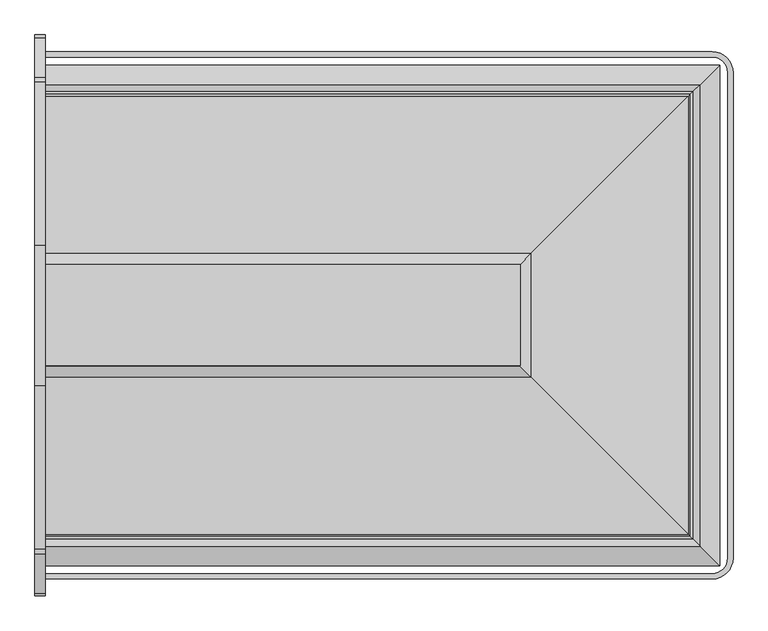
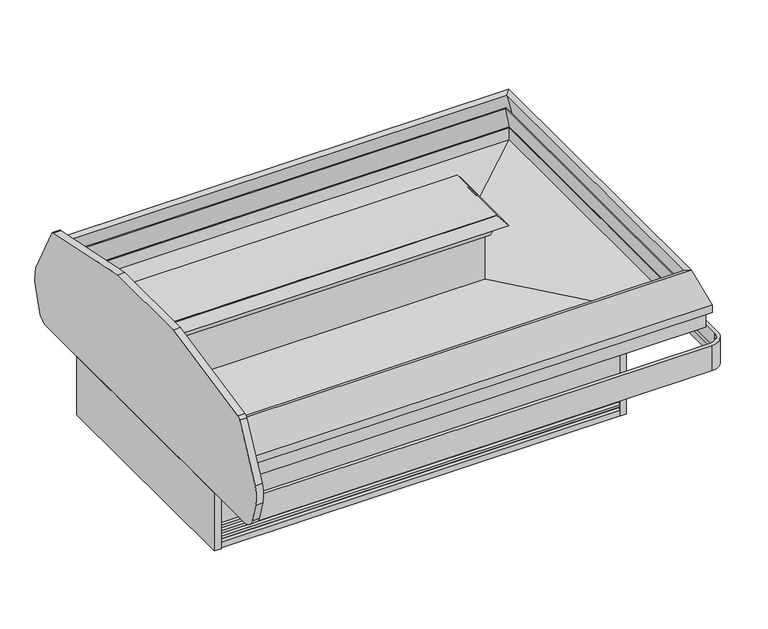
"""IFC4 building model written with IfcOpenShell, lengths in millimetres: proxy geometry."""

from ifc_helpers import new_model, si_unit, point, frame, frame_2d, origin, origin_with_axes, place, context, project, spatial, polyline, circle_curve, ellipse_curve, trimmed, segment, composite_curve, outline, extrude, faceted_brep, source, transform, mapped, element, save
from ifc_brep_helpers import plane_surface, cylinder_surface, revolved_surface, advanced_brep


def mechanical_equipment_2e16ebad(model_context):
    return source(origin(), model_context, "Body", "SolidModel", [
        extrude(outline(polyline([(1724.3610789, -1521.8335484), (2029.1610789, -1521.8335484), (2029.1610789, -1623.4335484), (1724.3610789, -1623.4335484), (1724.3610789, -1521.8335484)])), frame((0.0, 0.0, 139.7), z_axis=(0.0, 0.0, 1.0), x_axis=(1.0, 0.0, 0.0)), (0.0, 0.0, 1.0), 53.975),
        extrude(outline(polyline([(2138.1719993, -1987.1166266), (2138.1719993, -1952.9985136), (2169.9219993, -1952.9985136), (2169.9219993, -1987.1166266), (2138.1719993, -1987.1166266)])), origin_with_axes(), (0.0, 0.0, 1.0), 374.65),
        extrude(outline(polyline([(2138.1719993, -739.722628), (2169.9219993, -739.722628), (2169.9219993, -773.840741), (2138.1719993, -773.840741), (2138.1719993, -739.722628)])), origin_with_axes(), (0.0, 0.0, 1.0), 374.65),
        extrude(outline(polyline([(0.0, -728.4196273), (0.0, -1998.4196273), (-38.1, -1998.4196273), (-38.1, -728.4196273), (0.0, -728.4196273)])), frame((0.0, 0.0, 5.8104303), z_axis=(0.0, 0.0, 1.0), x_axis=(1.0, 0.0, 0.0)), (0.0, 0.0, 1.0), 330.2),
        extrude(outline(composite_curve([segment(trimmed(circle_curve(frame_2d((-2276.0813528, 412.2141747)), 76.2037445), [point((-2276.0813528, 336.0104303))], [point((-2349.0936528, 390.3918303))], False, "CARTESIAN"), True, "CONTINUOUS"), segment(polyline([(-2349.0936528, 390.3918303), (-2380.4118528, 495.1749721)]), True, "CONTINUOUS"), segment(trimmed(circle_curve(frame_2d((-2210.103478, 546.077738)), 177.752733), [point((-2380.4118528, 495.1749721))], [point((-2377.8321273, 604.9261391))], False, "CARTESIAN"), True, "CONTINUOUS"), segment(polyline([(-2377.8321273, 604.9261391), (-2233.2627626, 888.659493)]), True, "CONTINUOUS"), segment(trimmed(circle_curve(frame_2d((-2210.6311969, 877.1281343)), 25.4), [point((-2233.2627626, 888.659493))], [point((-2216.4820638, 901.845079))], False, "CARTESIAN"), True, "CONTINUOUS"), segment(polyline([(-2216.4820638, 901.845079), (-1619.9032333, 1025.3672201), (-1106.9360213, 1025.3672201), (-510.3571908, 901.845079)]), True, "CONTINUOUS"), segment(trimmed(circle_curve(frame_2d((-516.2080577, 877.1281343)), 25.4), [point((-510.3571908, 901.845079))], [point((-493.576492, 888.659493))], False, "CARTESIAN"), True, "CONTINUOUS"), segment(polyline([(-493.576492, 888.659493), (-349.0071273, 604.9261391)]), True, "CONTINUOUS"), segment(trimmed(circle_curve(frame_2d((-516.7357765, 546.077738)), 177.752733), [point((-349.0071273, 604.9261391))], [point((-346.4274018, 495.1749721))], False, "CARTESIAN"), True, "CONTINUOUS"), segment(polyline([(-346.4274018, 495.1749721), (-377.7456018, 390.3918303)]), True, "CONTINUOUS"), segment(trimmed(circle_curve(frame_2d((-450.7579018, 412.2141747)), 76.2037445), [point((-377.7456018, 390.3918303))], [point((-450.7579018, 336.0104303))], False, "CARTESIAN"), True, "CONTINUOUS"), segment(polyline([(-450.7579018, 336.0104303), (-2276.0813528, 336.0104303)]), True, "CONTINUOUS")], self_intersect=False)), frame((-38.1, 0.0, 0.0), z_axis=(1.0, 0.0, 0.0), x_axis=(0.0, 1.0, 0.0)), (0.0, 0.0, 1.0), 38.1),
        advanced_brep(
        [(0.0, -400.7279842, 359.085718), (0.0, -415.4599842, 359.085718), (0.0, -415.4599842, 395.026718), (0.0, -420.1796936, 421.79352), (0.0, -420.1796936, 502.405218), (0.0, -400.7279842, 502.405218), (2432.1002227, -400.7279842, 359.085718), (2508.9166431, -477.5444046, 359.085718), (2508.9166431, -2249.29485, 359.085718), (2432.1002227, -2326.1112704, 359.085718), (0.0, -2326.1112704, 359.085718), (0.0, -2311.3792704, 359.085718), (2432.1002227, -2311.3792704, 359.085718), (2494.1846431, -2249.29485, 359.085718), (2494.1846431, -477.5444046, 359.085718), (2432.1002227, -415.4599842, 359.085718), (2432.1002227, -415.4599842, 395.026718), (2432.1002227, -420.1796936, 421.79352), (2432.1002227, -420.1796936, 502.405218), (2489.4649337, -477.5444046, 502.405218), (2489.4649337, -2249.29485, 502.405218), (2432.1002227, -2306.659561, 502.405218), (0.0, -2306.659561, 502.405218), (0.0, -2326.1112704, 502.405218), (2432.1002227, -2326.1112704, 502.405218), (2508.9166431, -2249.29485, 502.405218), (2508.9166431, -477.5444046, 502.405218), (2432.1002227, -400.7279842, 502.405218), (2494.1846431, -477.5444046, 395.026718), (2489.4649337, -477.5444046, 421.79352), (2494.1846431, -2249.29485, 395.026718), (2489.4649337, -2249.29485, 421.79352), (2432.1002227, -2311.3792704, 395.026718), (2432.1002227, -2306.659561, 421.79352), (0.0, -2306.659561, 421.79352), (0.0, -2311.3792704, 395.026718)],
        [
            (0, 1),
            (1, 2),
            (2, 3),
            (3, 4),
            (4, 5),
            (5, 0),
            (0, 6),
            (6, 7, circle_curve(frame((2432.1002227, -477.5444046, 359.085718), z_axis=(0.0, 0.0, -1.0), x_axis=(0.0, 1.0, 0.0)), 76.8164204)),
            (7, 8),
            (8, 9, circle_curve(frame((2432.1002227, -2249.29485, 359.085718), z_axis=(0.0, 0.0, -1.0), x_axis=(1.0, 0.0, 0.0)), 76.8164204)),
            (9, 10),
            (10, 11),
            (11, 12),
            (12, 13, circle_curve(frame((2432.1002227, -2249.29485, 359.085718), z_axis=(0.0, 0.0, 1.0), x_axis=(1.0, 0.0, 0.0)), 62.0844204)),
            (13, 14),
            (14, 15, circle_curve(frame((2432.1002227, -477.5444046, 359.085718), z_axis=(0.0, 0.0, 1.0), x_axis=(0.0, 1.0, 0.0)), 62.0844204)),
            (15, 1),
            (15, 16),
            (16, 2),
            (16, 17),
            (17, 3),
            (17, 18),
            (18, 4),
            (18, 19, circle_curve(frame((2432.1002227, -477.5444046, 502.405218), z_axis=(0.0, 0.0, -1.0), x_axis=(0.0, 1.0, 0.0)), 57.364711)),
            (19, 20),
            (20, 21, circle_curve(frame((2432.1002227, -2249.29485, 502.405218), z_axis=(0.0, 0.0, -1.0), x_axis=(1.0, 0.0, 0.0)), 57.364711)),
            (21, 22),
            (22, 23),
            (23, 24),
            (24, 25, circle_curve(frame((2432.1002227, -2249.29485, 502.405218), z_axis=(0.0, 0.0, 1.0), x_axis=(1.0, 0.0, 0.0)), 76.8164204)),
            (25, 26),
            (26, 27, circle_curve(frame((2432.1002227, -477.5444046, 502.405218), z_axis=(0.0, 0.0, 1.0), x_axis=(0.0, 1.0, 0.0)), 76.8164204)),
            (27, 5),
            (27, 6),
            (28, 16, circle_curve(frame((2432.1002227, -477.5444046, 395.026718), z_axis=(0.0, 0.0, 1.0), x_axis=(0.0, 1.0, 0.0)), 62.0844204)),
            (14, 28),
            (29, 17, circle_curve(frame((2432.1002227, -477.5444046, 421.79352), z_axis=(0.0, 0.0, 1.0), x_axis=(0.0, 1.0, 0.0)), 57.364711)),
            (28, 29),
            (29, 19),
            (26, 7),
            (13, 30),
            (30, 28),
            (30, 31),
            (31, 29),
            (31, 20),
            (25, 8),
            (32, 30, circle_curve(frame((2432.1002227, -2249.29485, 395.026718), z_axis=(0.0, 0.0, 1.0), x_axis=(1.0, 0.0, 0.0)), 62.0844204)),
            (12, 32),
            (33, 31, circle_curve(frame((2432.1002227, -2249.29485, 421.79352), z_axis=(0.0, 0.0, 1.0), x_axis=(1.0, 0.0, 0.0)), 57.364711)),
            (32, 33),
            (33, 21),
            (24, 9),
            (10, 23),
            (22, 34),
            (34, 35),
            (35, 11),
            (35, 32),
            (34, 33),
        ],
        [
            plane_surface(frame((0.0, -401.3444046, 0.0), z_axis=(-1.0, 0.0, 0.0), x_axis=(0.0, 0.0, 1.0))),
            plane_surface(frame((0.0, -400.7279842, 359.085718), z_axis=(0.0, 0.0, -1.0), x_axis=(1.0, 0.0, 0.0))),
            plane_surface(frame((0.0, -415.4599842, 359.085718), z_axis=(0.0, -1.0, 0.0), x_axis=(1.0, 0.0, 0.0))),
            plane_surface(frame((0.0, -415.4599842, 395.026718), z_axis=(0.0, -0.9848077530122084, -0.17364817766692878), x_axis=(1.0, 0.0, 0.0))),
            plane_surface(frame((0.0, -420.1796936, 421.79352), z_axis=(0.0, -1.0, 0.0), x_axis=(1.0, 0.0, 0.0))),
            plane_surface(frame((0.0, -420.1796936, 502.405218), z_axis=(0.0, 0.0, 1.0), x_axis=(1.0, 0.0, 0.0))),
            plane_surface(frame((0.0, -400.7279842, 502.405218), z_axis=(0.0, 1.0, 0.0), x_axis=(1.0, 0.0, 0.0))),
            revolved_surface(polyline([(2432.1002227, -415.4599842, 359.085718), (2432.1002227, -415.4599842, 395.026718)]), (2432.1002227, -477.5444046, 0.0), (0.0, 0.0, -1.0)),
            revolved_surface(polyline([(2432.1002227, -415.4599842, 395.026718), (2432.1002227, -420.1796936, 421.79352)]), (2432.1002227, -477.5444046, 0.0), (0.0, 0.0, -1.0)),
            revolved_surface(polyline([(2432.1002227, -420.1796936, 421.79352), (2432.1002227, -420.1796936, 502.405218)]), (2432.1002227, -477.5444046, 0.0), (0.0, 0.0, -1.0)),
            cylinder_surface(frame((2432.1002227, -477.5444046, 0.0), z_axis=(0.0, 0.0, -1.0), x_axis=(0.0, 1.0, 0.0)), 76.8164204),
            plane_surface(frame((2494.1846431, -477.5444046, 359.085718), z_axis=(-1.0, 0.0, 0.0), x_axis=(0.0, -1.0, 0.0))),
            plane_surface(frame((2494.1846431, -477.5444046, 395.026718), z_axis=(-0.9848077530122084, 0.0, -0.17364817766692878), x_axis=(0.0, -1.0, 0.0))),
            plane_surface(frame((2489.4649337, -477.5444046, 421.79352), z_axis=(-1.0, 0.0, 0.0), x_axis=(0.0, -1.0, 0.0))),
            plane_surface(frame((2508.9166431, -477.5444046, 502.405218), z_axis=(1.0, 0.0, 0.0), x_axis=(0.0, -1.0, 0.0))),
            revolved_surface(polyline([(2494.1846431, -2249.29485, 359.085718), (2494.1846431, -2249.29485, 395.026718)]), (2432.1002227, -2249.29485, 0.0), (0.0, 0.0, -1.0)),
            revolved_surface(polyline([(2494.1846431, -2249.29485, 395.026718), (2489.4649337, -2249.29485, 421.79352)]), (2432.1002227, -2249.29485, 0.0), (0.0, 0.0, -1.0)),
            revolved_surface(polyline([(2489.4649337, -2249.29485, 421.79352), (2489.4649337, -2249.29485, 502.405218)]), (2432.1002227, -2249.29485, 0.0), (0.0, 0.0, -1.0)),
            cylinder_surface(frame((2432.1002227, -2249.29485, 0.0), z_axis=(0.0, 0.0, -1.0), x_axis=(1.0, 0.0, 0.0)), 76.8164204),
            plane_surface(frame((0.0, -2325.49485, 0.0), z_axis=(-1.0, 0.0, 0.0), x_axis=(0.0, 0.0, 1.0))),
            plane_surface(frame((2432.1002227, -2311.3792704, 359.085718), z_axis=(0.0, 1.0, 0.0), x_axis=(-1.0, 0.0, 0.0))),
            plane_surface(frame((2432.1002227, -2311.3792704, 395.026718), z_axis=(0.0, 0.9848077530122084, -0.17364817766692878), x_axis=(-1.0, 0.0, 0.0))),
            plane_surface(frame((2432.1002227, -2306.659561, 421.79352), z_axis=(0.0, 1.0, 0.0), x_axis=(-1.0, 0.0, 0.0))),
            plane_surface(frame((2432.1002227, -2326.1112704, 502.405218), z_axis=(0.0, -1.0, 0.0), x_axis=(-1.0, 0.0, 0.0))),
        ],
        [
            (0, [[1, 2, 3, 4, 5, 6]]),
            (1, [[-1, 7, 8, 9, 10, 11, 12, 13, 14, 15, 16, 17]]),
            (2, [[-2, -17, 18, 19]]),
            (3, [[-3, -19, 20, 21]]),
            (4, [[-4, -21, 22, 23]]),
            (5, [[-5, -23, 24, 25, 26, 27, 28, 29, 30, 31, 32, 33]]),
            (6, [[-6, -33, 34, -7]]),
            (7, [[35, -18, -16, 36]]),
            (8, [[37, -20, -35, 38]]),
            (9, [[-24, -22, -37, 39]]),
            (10, [[-8, -34, -32, 40]]),
            (11, [[-36, -15, 41, 42]]),
            (12, [[-38, -42, 43, 44]]),
            (13, [[-39, -44, 45, -25]]),
            (14, [[-40, -31, 46, -9]]),
            (15, [[47, -41, -14, 48]]),
            (16, [[49, -43, -47, 50]]),
            (17, [[-26, -45, -49, 51]]),
            (18, [[-10, -46, -30, 52]]),
            (19, [[53, -28, 54, 55, 56, -12]]),
            (20, [[-48, -13, -56, 57]]),
            (21, [[-50, -57, -55, 58]]),
            (22, [[-51, -58, -54, -27]]),
            (23, [[-52, -29, -53, -11]]),
        ],
    ),
        extrude(outline(composite_curve([segment(trimmed(circle_curve(frame_2d((1219.2, -1363.4196273)), 19.05), [point((1200.15, -1363.4196273))], [point((1238.25, -1363.4196273))], False, "CARTESIAN"), True, "CONTINUOUS"), segment(trimmed(circle_curve(frame_2d((1219.2, -1363.4196273)), 19.05), [point((1238.25, -1363.4196273))], [point((1200.15, -1363.4196273))], False, "CARTESIAN"), True, "CONTINUOUS")], self_intersect=False)), frame((0.0, 0.0, 43.7437524), z_axis=(0.0, 0.0, 1.0), x_axis=(1.0, 0.0, 0.0)), (0.0, 0.0, 1.0), 210.2562476),
        extrude(outline(composite_curve([segment(trimmed(circle_curve(frame_2d((941.2705885, -1029.9828833)), 11.1125), [point((930.1580885, -1029.9828833))], [point((952.3830885, -1029.9828833))], False, "CARTESIAN"), True, "CONTINUOUS"), segment(trimmed(circle_curve(frame_2d((941.2705885, -1029.9828833)), 11.1125), [point((952.3830885, -1029.9828833))], [point((930.1580885, -1029.9828833))], False, "CARTESIAN"), True, "CONTINUOUS")], self_intersect=False)), frame((0.0, 0.0, 87.4159355), z_axis=(0.0, 0.0, 1.0), x_axis=(1.0, 0.0, 0.0)), (0.0, 0.0, 1.0), 166.5840645),
        extrude(outline(composite_curve([segment(trimmed(circle_curve(frame_2d((941.7382345, -1050.5593095)), 4.7625), [point((936.9757345, -1050.5593095))], [point((946.5007345, -1050.5593095))], False, "CARTESIAN"), True, "CONTINUOUS"), segment(trimmed(circle_curve(frame_2d((941.7382345, -1050.5593095)), 4.7625), [point((946.5007345, -1050.5593095))], [point((936.9757345, -1050.5593095))], False, "CARTESIAN"), True, "CONTINUOUS")], self_intersect=False)), frame((0.0, 0.0, 87.4159355), z_axis=(0.0, 0.0, 1.0), x_axis=(1.0, 0.0, 0.0)), (0.0, 0.0, 1.0), 166.5840645),
        faceted_brep([(0.0, -1987.1166266, 146.05), (0.0, -1987.1166266, 354.3983804), (0.0, -1969.2096266, 354.3983804), (0.0, -1969.2096266, 374.65), (0.0, -1865.4057062, 374.65), (0.0, -1865.4057062, 146.05), (2169.9219993, -1987.1166266, 146.05), (2169.9219993, -1987.1166266, 354.3983804), (2169.9219993, -739.722628, 354.3983804), (0.0, -739.722628, 354.3983804), (0.0, -757.629628, 354.3983804), (2152.0149993, -757.629628, 354.3983804), (2152.0149993, -1969.2096266, 354.3983804), (2152.0149993, -1969.2096266, 374.65), (2152.0149993, -757.629628, 374.65), (0.0, -757.629628, 374.65), (0.0, -861.4335484, 374.65), (2048.2110789, -861.4335484, 374.65), (2048.2110789, -1865.4057062, 374.65), (2048.2110789, -1865.4057062, 146.05), (2048.2110789, -1665.3807062, 146.05), (2048.2110789, -1508.4341352, 146.05), (2048.2110789, -861.4335484, 146.05), (0.0, -861.4335484, 146.05), (0.0, -739.722628, 146.05), (2169.9219993, -739.722628, 146.05)], [[[0, 1, 2, 3, 4, 5]], [[1, 0, 6, 7]], [[2, 1, 7, 8, 9, 10, 11, 12]], [[3, 2, 12, 13]], [[4, 3, 13, 14, 15, 16, 17, 18]], [[5, 4, 18, 19]], [[0, 5, 19, 20, 21, 22, 23, 24, 25, 6]], [[7, 6, 25, 8]], [[12, 11, 14, 13]], [[18, 17, 22, 21, 20, 19]], [[10, 9, 24, 23, 16, 15]], [[9, 8, 25, 24]], [[11, 10, 15, 14]], [[17, 16, 23, 22]]]),
        advanced_brep(
        [(2048.2110789, -1508.4341352, 561.4683528), (2048.2110789, -1508.4341352, 449.6331021), (2048.2110789, -1764.6985468, 436.6496591), (2048.2110789, -1779.7804526, 422.3615379), (2048.2110789, -1794.8612198, 436.6485806), (2048.2110789, -1901.8970159, 440.5227377), (2048.2110789, -1901.8970159, 374.65), (2048.2110789, -1865.4057062, 374.65), (2048.2110789, -1865.4057062, 139.7), (2048.2110789, -1665.3807062, 139.7), (2048.2110789, -1665.3807062, 206.9984495), (2048.2110789, -1508.4341352, 206.9984495), (2048.2110789, -1508.4341352, 139.7), (2048.2110789, -861.4335484, 139.7), (2048.2110789, -861.4335484, 374.65), (2048.2110789, -824.9422387, 374.65), (2048.2110789, -824.9422387, 440.5227377), (2048.2110789, -931.9780348, 436.6485806), (2048.2110789, -947.058802, 422.3615379), (2048.2110789, -962.1407078, 436.6496591), (2048.2110789, -1218.4051194, 449.6331021), (2048.2110789, -1218.4051194, 561.4683528), (0.0, -1508.4341352, 561.4683528), (0.0, -1218.4051194, 561.4683528), (0.0, -1218.4051194, 449.6331021), (0.0, -962.1407078, 436.6496591), (0.0, -947.058802, 422.3615379), (0.0, -931.9780348, 436.6485806), (0.0, -824.9422387, 440.5227377), (0.0, -824.9422387, 374.65), (0.0, -861.4335484, 374.65), (0.0, -861.4335484, 139.7), (0.0, -1865.4057062, 139.7), (0.0, -1865.4057062, 374.65), (0.0, -1901.8970159, 374.65), (0.0, -1901.8970159, 440.5227377), (0.0, -1794.8612198, 436.6485806), (0.0, -1779.7804526, 422.3615379), (0.0, -1764.6985468, 436.6496591), (0.0, -1508.4341352, 449.6331021), (1673.5610789, -1508.4341352, 139.7), (1673.5610789, -1665.3807062, 139.7), (915.9875, -1039.5696273, 139.7), (966.7875, -1039.5696273, 139.7), (1187.45, -1362.9182706, 139.7), (1250.95, -1362.9182706, 139.7), (915.9875, -1039.5696273, 254.0), (966.7875, -1039.5696273, 254.0), (1187.45, -1362.9182706, 254.0), (1250.95, -1362.9182706, 254.0), (1673.5610789, -1665.3807062, 206.9984495), (1673.5610789, -1508.4341352, 206.9984495)],
        [
            (0, 1),
            (1, 2),
            (2, 3),
            (3, 4),
            (4, 5),
            (5, 6),
            (6, 7),
            (7, 8),
            (8, 9),
            (9, 10),
            (10, 11),
            (11, 12),
            (12, 13),
            (13, 14),
            (14, 15),
            (15, 16),
            (16, 17),
            (17, 18),
            (18, 19),
            (19, 20),
            (20, 21),
            (21, 0),
            (22, 23),
            (23, 24),
            (24, 25),
            (25, 26),
            (26, 27),
            (27, 28),
            (28, 29),
            (29, 30),
            (30, 31),
            (31, 32),
            (32, 33),
            (33, 34),
            (34, 35),
            (35, 36),
            (36, 37),
            (37, 38),
            (38, 39),
            (39, 22),
            (21, 23),
            (22, 0),
            (39, 1),
            (7, 33),
            (32, 8),
            (31, 13),
            (12, 40),
            (40, 41),
            (41, 9),
            (42, 43, circle_curve(frame((941.3875, -1039.5696273, 139.7), z_axis=(0.0, 0.0, 1.0), x_axis=(1.0, 0.0, 0.0)), 25.4)),
            (43, 42, circle_curve(frame((941.3875, -1039.5696273, 139.7), z_axis=(0.0, 0.0, 1.0), x_axis=(1.0, 0.0, 0.0)), 25.4)),
            (44, 45, circle_curve(frame((1219.2, -1362.9182706, 139.7), z_axis=(0.0, 0.0, 1.0), x_axis=(1.0, 0.0, 0.0)), 31.75)),
            (45, 44, circle_curve(frame((1219.2, -1362.9182706, 139.7), z_axis=(0.0, 0.0, 1.0), x_axis=(1.0, 0.0, 0.0)), 31.75)),
            (6, 34),
            (46, 47, circle_curve(frame((941.3875, -1039.5696273, 254.0), z_axis=(0.0, 0.0, -1.0), x_axis=(1.0, 0.0, 0.0)), 25.4)),
            (47, 46, circle_curve(frame((941.3875, -1039.5696273, 254.0), z_axis=(0.0, 0.0, -1.0), x_axis=(1.0, 0.0, 0.0)), 25.4)),
            (47, 43),
            (42, 46),
            (48, 49, circle_curve(frame((1219.2, -1362.9182706, 254.0), z_axis=(0.0, 0.0, -1.0), x_axis=(1.0, 0.0, 0.0)), 31.75)),
            (49, 48, circle_curve(frame((1219.2, -1362.9182706, 254.0), z_axis=(0.0, 0.0, -1.0), x_axis=(1.0, 0.0, 0.0)), 31.75)),
            (49, 45),
            (44, 48),
            (50, 51),
            (51, 11),
            (10, 50),
            (41, 50),
            (51, 40),
            (38, 2),
            (5, 35),
            (37, 3),
            (36, 4),
            (30, 14),
            (29, 15),
            (28, 16),
            (27, 17),
            (26, 18),
            (25, 19),
            (24, 20),
        ],
        [
            plane_surface(frame((2048.2110789, -1508.4341352, 561.4683528), z_axis=(1.0, 0.0, 0.0), x_axis=(0.0, 0.0, -1.0))),
            plane_surface(frame((0.0, -1508.4341352, 561.4683528), z_axis=(-1.0, 0.0, 0.0), x_axis=(0.0, 0.0, 1.0))),
            plane_surface(frame((2048.2110789, -1218.4051194, 561.4683528), z_axis=(0.0, 0.0, 1.0), x_axis=(-1.0, 0.0, 0.0))),
            plane_surface(frame((2048.2110789, -1508.4341352, 561.4683528), z_axis=(0.0, -1.0, 0.0), x_axis=(-1.0, 0.0, 0.0))),
            plane_surface(frame((2048.2110789, -1865.4057062, 374.65), z_axis=(0.0, -1.0, 0.0), x_axis=(-1.0, 0.0, 0.0))),
            plane_surface(frame((2048.2110789, -1865.4057062, 139.7), z_axis=(0.0, 0.0, -1.0), x_axis=(-1.0, 0.0, 0.0))),
            plane_surface(frame((2048.2110789, -1901.8970159, 374.65), z_axis=(0.0, 0.0, -1.0), x_axis=(-1.0, 0.0, 0.0))),
            plane_surface(frame((966.7875, -1039.5696273, 254.0), z_axis=(0.0, 0.0, -1.0), x_axis=(0.0, 1.0, 0.0))),
            revolved_surface(polyline([(966.7875, -1039.5696273, 254.0), (966.7875, -1039.5696273, 139.7)]), (941.3875, -1039.5696273, 0.0), (0.0, 0.0, 1.0)),
            plane_surface(frame((1250.95, -1362.9182706, 254.0), z_axis=(0.0, 0.0, -1.0), x_axis=(0.0, 1.0, 0.0))),
            revolved_surface(polyline([(1250.95, -1362.9182706, 254.0), (1250.95, -1362.9182706, 139.7)]), (1219.2, -1362.9182706, 0.0), (0.0, 0.0, 1.0)),
            plane_surface(frame((2048.2110789, -1665.3807062, 206.9984495), z_axis=(0.0, 0.0, -1.0), x_axis=(1.0, 0.0, 0.0))),
            plane_surface(frame((1673.5610789, -1665.3807062, 206.9984495), z_axis=(0.0, 1.0, 0.0), x_axis=(0.0, 0.0, -1.0))),
            plane_surface(frame((2048.2110789, -1508.4341352, 206.9984495), z_axis=(0.0, -1.0, 0.0), x_axis=(0.0, 0.0, -1.0))),
            plane_surface(frame((1673.5610789, -1508.4341352, 206.9984495), z_axis=(1.0, 0.0, 0.0), x_axis=(0.0, 0.0, -1.0))),
            plane_surface(frame((2048.2110789, -1508.4341352, 449.6331021), z_axis=(0.0, -0.05059934604185482, 0.9987190326513943), x_axis=(-1.0, 0.0, 0.0))),
            plane_surface(frame((2048.2110789, -1901.8970159, 440.5227377), z_axis=(0.0, -1.0, 0.0), x_axis=(-1.0, 0.0, 0.0))),
            plane_surface(frame((2048.2110789, -1764.6985468, 436.6496591), z_axis=(0.0, -0.6877446479107795, 0.72595268390583), x_axis=(-1.0, 0.0, 0.0))),
            plane_surface(frame((2048.2110789, -1779.7804526, 422.3615379), z_axis=(0.0, 0.6877446479107768, 0.7259526839058327), x_axis=(-1.0, 0.0, 0.0))),
            plane_surface(frame((2048.2110789, -1794.8612198, 436.6485806), z_axis=(0.0, 0.036171280996502485, 0.9993456050991929), x_axis=(-1.0, 0.0, 0.0))),
            plane_surface(frame((2048.2110789, -861.4335484, 139.7), z_axis=(0.0, 1.0, 0.0), x_axis=(-1.0, 0.0, 0.0))),
            plane_surface(frame((2048.2110789, -861.4335484, 374.65), z_axis=(0.0, 0.0, -1.0), x_axis=(-1.0, 0.0, 0.0))),
            plane_surface(frame((2048.2110789, -824.9422387, 374.65), z_axis=(0.0, 1.0, 0.0), x_axis=(-1.0, 0.0, 0.0))),
            plane_surface(frame((2048.2110789, -824.9422387, 440.5227377), z_axis=(0.0, -0.03617128099650132, 0.999345605099193), x_axis=(-1.0, 0.0, 0.0))),
            plane_surface(frame((2048.2110789, -931.9780348, 436.6485806), z_axis=(0.0, -0.687744647910777, 0.7259526839058325), x_axis=(-1.0, 0.0, 0.0))),
            plane_surface(frame((2048.2110789, -947.058802, 422.3615379), z_axis=(0.0, 0.6877446479107832, 0.7259526839058267), x_axis=(-1.0, 0.0, 0.0))),
            plane_surface(frame((2048.2110789, -962.1407078, 436.6496591), z_axis=(0.0, 0.05059934604185525, 0.9987190326513942), x_axis=(-1.0, 0.0, 0.0))),
            plane_surface(frame((2048.2110789, -1218.4051194, 449.6331021), z_axis=(0.0, 1.0, 0.0), x_axis=(-1.0, 0.0, 0.0))),
        ],
        [
            (0, [[1, 2, 3, 4, 5, 6, 7, 8, 9, 10, 11, 12, 13, 14, 15, 16, 17, 18, 19, 20, 21, 22]]),
            (1, [[23, 24, 25, 26, 27, 28, 29, 30, 31, 32, 33, 34, 35, 36, 37, 38, 39, 40]]),
            (2, [[-22, 41, -23, 42]]),
            (3, [[-1, -42, -40, 43]]),
            (4, [[-8, 44, -33, 45]]),
            (5, [[-32, 46, -13, 47, 48, 49, -9, -45], [50, 51], [52, 53]]),
            (6, [[-7, 54, -34, -44]]),
            (7, [[55, 56]]),
            (8, [[-56, 57, -50, 58]]),
            (8, [[-55, -58, -51, -57]]),
            (9, [[59, 60]]),
            (10, [[-60, 61, -52, 62]]),
            (10, [[-59, -62, -53, -61]]),
            (11, [[63, 64, -11, 65]]),
            (12, [[-65, -10, -49, 66]]),
            (13, [[-64, 67, -47, -12]]),
            (14, [[-63, -66, -48, -67]]),
            (15, [[-2, -43, -39, 68]]),
            (16, [[-6, 69, -35, -54]]),
            (17, [[-3, -68, -38, 70]]),
            (18, [[-4, -70, -37, 71]]),
            (19, [[-5, -71, -36, -69]]),
            (20, [[-14, -46, -31, 72]]),
            (21, [[-15, -72, -30, 73]]),
            (22, [[-16, -73, -29, 74]]),
            (23, [[-17, -74, -28, 75]]),
            (24, [[-18, -75, -27, 76]]),
            (25, [[-19, -76, -26, 77]]),
            (26, [[-20, -77, -25, 78]]),
            (27, [[-21, -78, -24, -41]]),
        ],
    ),
        advanced_brep(
        [(0.0, -1973.7348032, 41.0863151), (0.0, -1970.2457061, 52.2515752), (0.0, -1980.8829014, 50.0937524), (0.0, -1982.8768014, 50.0937524), (0.0, -1982.8768014, 62.7937524), (0.0, -1973.7348032, 72.0584982), (0.0, -1970.2457061, 83.2237583), (0.0, -1980.8829014, 81.0659355), (0.0, -1982.8768014, 81.0659355), (0.0, -1982.8768014, 93.7659355), (0.0, -1973.7348032, 103.0306813), (0.0, -1970.2457061, 114.0694894), (0.0, -1980.8829014, 112.0383055), (0.0, -1982.8768014, 112.0383055), (0.0, -1982.8768014, 124.7383055), (0.0, -1970.2457061, 137.4381186), (0.0, -1970.2457061, 146.05), (0.0, -1960.1374494, 146.05), (0.0, -1960.1374494, 0.0), (0.0, -1985.7651061, 0.0), (0.0, -1985.7651061, 31.4790022), (0.0, -753.1044514, 41.0863151), (0.0, -741.0741485, 31.4790022), (0.0, -741.0741485, 0.0), (0.0, -766.7018052, 0.0), (0.0, -766.7018052, 146.05), (0.0, -756.5935485, 146.05), (0.0, -756.5935485, 137.4381186), (0.0, -743.9624532, 124.7383055), (0.0, -743.9624532, 112.0383055), (0.0, -745.9563532, 112.0383055), (0.0, -756.5935485, 114.0694894), (0.0, -753.1044514, 103.0306813), (0.0, -743.9624532, 93.7659355), (0.0, -743.9624532, 81.0659355), (0.0, -745.9563532, 81.0659355), (0.0, -756.5935485, 83.2237583), (0.0, -753.1044514, 72.0584982), (0.0, -743.9624532, 62.7937524), (0.0, -743.9624532, 50.0937524), (0.0, -745.9563532, 50.0937524), (0.0, -756.5935485, 52.2515752), (2156.5401759, -1973.7348032, 41.0863151), (2153.0510788, -1970.2457061, 52.2515752), (2163.6882741, -1980.8829014, 50.0937524), (2163.6882741, -745.9563532, 50.0937524), (2165.6821741, -743.9624532, 50.0937524), (2165.6821741, -1982.8768014, 50.0937524), (2165.6821741, -1982.8768014, 62.7937524), (2156.5401759, -1973.7348032, 72.0584982), (2153.0510788, -1970.2457061, 83.2237583), (2163.6882741, -1980.8829014, 81.0659355), (2163.6882741, -745.9563532, 81.0659355), (2165.6821741, -743.9624532, 81.0659355), (2165.6821741, -1982.8768014, 81.0659355), (2165.6821741, -1982.8768014, 93.7659355), (2156.5401759, -1973.7348032, 103.0306813), (2153.0510788, -1970.2457061, 114.0694894), (2163.6882741, -1980.8829014, 112.0383055), (2163.6882741, -745.9563532, 112.0383055), (2165.6821741, -743.9624532, 112.0383055), (2165.6821741, -1982.8768014, 112.0383055), (2165.6821741, -1982.8768014, 124.7383055), (2153.0510788, -1970.2457061, 137.4381186), (2153.0510788, -1970.2457061, 146.05), (2153.0510788, -756.5935485, 146.05), (2142.9428221, -766.7018052, 146.05), (2142.9428221, -1960.1374494, 146.05), (2142.9428221, -1960.1374494, 0.0), (2142.9428221, -766.7018052, 0.0), (2168.5704788, -741.0741485, 0.0), (2168.5704788, -1985.7651061, 0.0), (2168.5704788, -1985.7651061, 31.4790022), (2156.5401759, -753.1044514, 41.0863151), (2153.0510788, -756.5935485, 52.2515752), (2165.6821741, -743.9624532, 62.7937524), (2156.5401759, -753.1044514, 72.0584982), (2153.0510788, -756.5935485, 83.2237583), (2165.6821741, -743.9624532, 93.7659355), (2156.5401759, -753.1044514, 103.0306813), (2153.0510788, -756.5935485, 114.0694894), (2165.6821741, -743.9624532, 124.7383055), (2153.0510788, -756.5935485, 137.4381186), (2168.5704788, -741.0741485, 31.4790022)],
        [
            (0, 1),
            (1, 2),
            (2, 3),
            (3, 4),
            (4, 5, circle_curve(frame((0.0, -1986.0686404, 75.0861144), z_axis=(1.0, 0.0, 0.0), x_axis=(0.0, 1.0, 0.0)), 12.7)),
            (5, 6),
            (6, 7),
            (7, 8),
            (8, 9),
            (9, 10, circle_curve(frame((0.0, -1986.0686404, 106.0582975), z_axis=(1.0, 0.0, 0.0), x_axis=(0.0, 1.0, 0.0)), 12.7)),
            (10, 11),
            (11, 12),
            (12, 13),
            (13, 14),
            (14, 15, circle_curve(frame((0.0, -1982.9457061, 137.4381186), z_axis=(1.0, 0.0, 0.0), x_axis=(0.0, 1.0, 0.0)), 12.7)),
            (15, 16),
            (16, 17),
            (17, 18),
            (18, 19),
            (19, 20),
            (20, 0, circle_curve(frame((0.0, -1984.7113588, 42.4953422), z_axis=(1.0, 0.0, 0.0), x_axis=(0.0, 1.0, 0.0)), 11.0666223)),
            (21, 22, circle_curve(frame((0.0, -742.1278958, 42.4953422), z_axis=(1.0, 0.0, 0.0), x_axis=(0.0, -1.0, 0.0)), 11.0666223)),
            (22, 23),
            (23, 24),
            (24, 25),
            (25, 26),
            (26, 27),
            (27, 28, circle_curve(frame((0.0, -743.8935485, 137.4381186), z_axis=(1.0, 0.0, 0.0), x_axis=(0.0, -1.0, 0.0)), 12.7)),
            (28, 29),
            (29, 30),
            (30, 31),
            (31, 32),
            (32, 33, circle_curve(frame((0.0, -740.7706142, 106.0582975), z_axis=(1.0, 0.0, 0.0), x_axis=(0.0, -1.0, 0.0)), 12.7)),
            (33, 34),
            (34, 35),
            (35, 36),
            (36, 37),
            (37, 38, circle_curve(frame((0.0, -740.7706142, 75.0861144), z_axis=(1.0, 0.0, 0.0), x_axis=(0.0, -1.0, 0.0)), 12.7)),
            (38, 39),
            (39, 40),
            (40, 41),
            (41, 21),
            (0, 42),
            (42, 43),
            (43, 1),
            (43, 44),
            (44, 2),
            (44, 45),
            (45, 40),
            (39, 46),
            (46, 47),
            (47, 3),
            (47, 48),
            (48, 4),
            (48, 49, ellipse_curve(frame((2168.8740131, -1986.0686404, 75.0861144), z_axis=(0.7071067811865475, 0.7071067811865475, 0.0), x_axis=(0.7071067811865476, -0.7071067811865474, 0.0)), 17.9605122, 12.7)),
            (49, 5),
            (49, 50),
            (50, 6),
            (50, 51),
            (51, 7),
            (51, 52),
            (52, 35),
            (34, 53),
            (53, 54),
            (54, 8),
            (54, 55),
            (55, 9),
            (55, 56, ellipse_curve(frame((2168.8740131, -1986.0686404, 106.0582975), z_axis=(0.7071067811865475, 0.7071067811865475, 0.0), x_axis=(0.7071067811865476, -0.7071067811865474, 0.0)), 17.9605122, 12.7)),
            (56, 10),
            (56, 57),
            (57, 11),
            (57, 58),
            (58, 12),
            (58, 59),
            (59, 30),
            (29, 60),
            (60, 61),
            (61, 13),
            (61, 62),
            (62, 14),
            (62, 63, ellipse_curve(frame((2165.7510788, -1982.9457061, 137.4381186), z_axis=(0.7071067811865475, 0.7071067811865475, 0.0), x_axis=(0.7071067811865476, -0.7071067811865474, 0.0)), 17.9605122, 12.7)),
            (63, 15),
            (63, 64),
            (64, 16),
            (64, 65),
            (65, 26),
            (25, 66),
            (66, 67),
            (67, 17),
            (67, 68),
            (68, 18),
            (68, 69),
            (69, 24),
            (23, 70),
            (70, 71),
            (71, 19),
            (71, 72),
            (72, 20),
            (72, 42, ellipse_curve(frame((2167.5167315, -1984.7113588, 42.4953422), z_axis=(0.7071067811865475, 0.7071067811865475, 0.0), x_axis=(0.7071067811865476, -0.7071067811865474, 0.0)), 15.6505674, 11.0666223)),
            (42, 73),
            (73, 74),
            (74, 43),
            (74, 45),
            (46, 75),
            (75, 48),
            (75, 76, ellipse_curve(frame((2168.8740131, -740.7706142, 75.0861144), z_axis=(-0.7071067811865475, 0.7071067811865475, 0.0), x_axis=(0.7071067811865474, 0.7071067811865476, 0.0)), 17.9605122, 12.7)),
            (76, 49),
            (76, 77),
            (77, 50),
            (77, 52),
            (53, 78),
            (78, 55),
            (78, 79, ellipse_curve(frame((2168.8740131, -740.7706142, 106.0582975), z_axis=(-0.7071067811865475, 0.7071067811865475, 0.0), x_axis=(0.7071067811865474, 0.7071067811865476, 0.0)), 17.9605122, 12.7)),
            (79, 56),
            (79, 80),
            (80, 57),
            (80, 59),
            (60, 81),
            (81, 62),
            (81, 82, ellipse_curve(frame((2165.7510788, -743.8935485, 137.4381186), z_axis=(-0.7071067811865475, 0.7071067811865475, 0.0), x_axis=(0.7071067811865474, 0.7071067811865476, 0.0)), 17.9605122, 12.7)),
            (82, 63),
            (82, 65),
            (66, 69),
            (70, 83),
            (83, 72),
            (83, 73, ellipse_curve(frame((2167.5167315, -742.1278958, 42.4953422), z_axis=(-0.7071067811865475, 0.7071067811865475, 0.0), x_axis=(0.7071067811865474, 0.7071067811865476, 0.0)), 15.6505674, 11.0666223)),
            (41, 74),
            (73, 21),
            (38, 75),
            (37, 76),
            (36, 77),
            (33, 78),
            (32, 79),
            (31, 80),
            (28, 81),
            (27, 82),
            (22, 83),
        ],
        [
            plane_surface(frame((0.0, -2377.8321273, 0.0), z_axis=(-1.0, 0.0, 0.0), x_axis=(0.0, 0.0, 1.0))),
            plane_surface(frame((0.0, -349.0071273, 0.0), z_axis=(-1.0, 0.0, 0.0), x_axis=(0.0, 0.0, 1.0))),
            plane_surface(frame((0.0, -1973.7348032, 41.0863151), z_axis=(0.0, -0.9544811145040176, 0.29827135641085006), x_axis=(1.0, 0.0, 0.0))),
            plane_surface(frame((0.0, -1970.2457061, 52.2515752), z_axis=(0.0, 0.19880707887699167, -0.9800386448443743), x_axis=(1.0, 0.0, 0.0))),
            plane_surface(frame((0.0, -1980.8829014, 50.0937524), z_axis=(0.0, 0.0, -1.0), x_axis=(1.0, 0.0, 0.0))),
            plane_surface(frame((0.0, -1982.8768014, 50.0937524), z_axis=(0.0, -1.0, 0.0), x_axis=(1.0, 0.0, 0.0))),
            revolved_surface(polyline([(2181.574013070204, -1973.3686404, 75.0861144), (0.0, -1973.3686404, 75.0861144)]), (0.0, -1986.0686404, 75.0861144), (1.0, 0.0, 0.0)),
            plane_surface(frame((0.0, -1973.7348032, 72.0584982), z_axis=(0.0, -0.9544811145039999, 0.29827135641090713), x_axis=(1.0, 0.0, 0.0))),
            plane_surface(frame((0.0, -1970.2457061, 83.2237583), z_axis=(0.0, 0.19880707887699767, -0.9800386448443731), x_axis=(1.0, 0.0, 0.0))),
            plane_surface(frame((0.0, -1980.8829014, 81.0659355), z_axis=(0.0, 0.0, -1.0), x_axis=(1.0, 0.0, 0.0))),
            plane_surface(frame((0.0, -1982.8768014, 81.0659355), z_axis=(0.0, -1.0, 0.0), x_axis=(1.0, 0.0, 0.0))),
            revolved_surface(polyline([(2181.574013070204, -1973.3686404, 106.0582975), (0.0, -1973.3686404, 106.0582975)]), (0.0, -1986.0686404, 106.0582975), (1.0, 0.0, 0.0)),
            plane_surface(frame((0.0, -1973.7348032, 103.0306813), z_axis=(0.0, -0.9535043111328462, 0.30137937661870046), x_axis=(1.0, 0.0, 0.0))),
            plane_surface(frame((0.0, -1970.2457061, 114.0694894), z_axis=(0.0, 0.18756221551803973, -0.9822527247658641), x_axis=(1.0, 0.0, 0.0))),
            plane_surface(frame((0.0, -1980.8829014, 112.0383055), z_axis=(0.0, 0.0, -1.0), x_axis=(1.0, 0.0, 0.0))),
            plane_surface(frame((0.0, -1982.8768014, 112.0383055), z_axis=(0.0, -1.0, 0.0), x_axis=(1.0, 0.0, 0.0))),
            revolved_surface(polyline([(2178.451078770204, -1970.2457061, 137.4381186), (0.0, -1970.2457061, 137.4381186)]), (0.0, -1982.9457061, 137.4381186), (1.0, 0.0, 0.0)),
            plane_surface(frame((0.0, -1970.2457061, 137.4381186), z_axis=(0.0, -1.0, 0.0), x_axis=(1.0, 0.0, 0.0))),
            plane_surface(frame((0.0, -1970.2457061, 146.05), z_axis=(0.0, 0.0, 1.0), x_axis=(1.0, 0.0, 0.0))),
            plane_surface(frame((0.0, -1960.1374494, 146.05), z_axis=(0.0, 1.0, 0.0), x_axis=(1.0, 0.0, 0.0))),
            plane_surface(frame((0.0, -1960.1374494, 0.0), z_axis=(0.0, 0.0, -1.0), x_axis=(1.0, 0.0, 0.0))),
            plane_surface(frame((0.0, -1985.7651061, 0.0), z_axis=(0.0, -1.0, 0.0), x_axis=(1.0, 0.0, 0.0))),
            revolved_surface(polyline([(2178.583353837957, -1973.6447365, 42.4953422), (0.0, -1973.6447365, 42.4953422)]), (0.0, -1984.7113588, 42.4953422), (1.0, 0.0, 0.0)),
            plane_surface(frame((2156.5401759, -1973.7348032, 41.0863151), z_axis=(0.9544811145040176, 0.0, 0.29827135641085006), x_axis=(0.0, 1.0, 0.0))),
            plane_surface(frame((2153.0510788, -1970.2457061, 52.2515752), z_axis=(-0.19880707887699167, 0.0, -0.9800386448443743), x_axis=(0.0, 1.0, 0.0))),
            plane_surface(frame((2165.6821741, -1982.8768014, 50.0937524), z_axis=(1.0, 0.0, 0.0), x_axis=(0.0, 1.0, 0.0))),
            revolved_surface(polyline([(2156.1740131, -728.0706142297963, 75.0861144), (2156.1740131, -1998.7686403702037, 75.0861144)]), (2168.8740131, -2377.8321273, 75.0861144), (0.0, 1.0, 0.0)),
            plane_surface(frame((2156.5401759, -1973.7348032, 72.0584982), z_axis=(0.9544811145039999, 0.0, 0.29827135641090713), x_axis=(0.0, 1.0, 0.0))),
            plane_surface(frame((2153.0510788, -1970.2457061, 83.2237583), z_axis=(-0.19880707887699767, 0.0, -0.9800386448443731), x_axis=(0.0, 1.0, 0.0))),
            plane_surface(frame((2165.6821741, -1982.8768014, 81.0659355), z_axis=(1.0, 0.0, 0.0), x_axis=(0.0, 1.0, 0.0))),
            revolved_surface(polyline([(2156.1740131, -728.0706142297963, 106.0582975), (2156.1740131, -1998.7686403702037, 106.0582975)]), (2168.8740131, -2377.8321273, 106.0582975), (0.0, 1.0, 0.0)),
            plane_surface(frame((2156.5401759, -1973.7348032, 103.0306813), z_axis=(0.9535043111328462, 0.0, 0.30137937661870046), x_axis=(0.0, 1.0, 0.0))),
            plane_surface(frame((2153.0510788, -1970.2457061, 114.0694894), z_axis=(-0.18756221551803973, 0.0, -0.9822527247658641), x_axis=(0.0, 1.0, 0.0))),
            plane_surface(frame((2165.6821741, -1982.8768014, 112.0383055), z_axis=(1.0, 0.0, 0.0), x_axis=(0.0, 1.0, 0.0))),
            revolved_surface(polyline([(2153.0510788, -731.1935485297963, 137.4381186), (2153.0510788, -1995.6457060702037, 137.4381186)]), (2165.7510788, -2377.8321273, 137.4381186), (0.0, 1.0, 0.0)),
            plane_surface(frame((2153.0510788, -1970.2457061, 137.4381186), z_axis=(1.0, 0.0, 0.0), x_axis=(0.0, 1.0, 0.0))),
            plane_surface(frame((2142.9428221, -1960.1374494, 146.05), z_axis=(-1.0, 0.0, 0.0), x_axis=(0.0, 1.0, 0.0))),
            plane_surface(frame((2168.5704788, -1985.7651061, 0.0), z_axis=(1.0, 0.0, 0.0), x_axis=(0.0, 1.0, 0.0))),
            revolved_surface(polyline([(2156.4501092, -731.0612734620429, 42.4953422), (2156.4501092, -1995.777981137957, 42.4953422)]), (2167.5167315, -2377.8321273, 42.4953422), (0.0, 1.0, 0.0)),
            plane_surface(frame((2156.5401759, -753.1044514, 41.0863151), z_axis=(0.0, 0.9544811145040176, 0.29827135641085006), x_axis=(-1.0, 0.0, 0.0))),
            plane_surface(frame((2153.0510788, -756.5935485, 52.2515752), z_axis=(0.0, -0.19880707887699167, -0.9800386448443743), x_axis=(-1.0, 0.0, 0.0))),
            plane_surface(frame((2165.6821741, -743.9624532, 50.0937524), z_axis=(0.0, 1.0, 0.0), x_axis=(-1.0, 0.0, 0.0))),
            revolved_surface(polyline([(0.0, -753.4706142, 75.0861144), (2181.574013070204, -753.4706142, 75.0861144)]), (2560.6375, -740.7706142, 75.0861144), (-1.0, 0.0, 0.0)),
            plane_surface(frame((2156.5401759, -753.1044514, 72.0584982), z_axis=(0.0, 0.9544811145039999, 0.29827135641090713), x_axis=(-1.0, 0.0, 0.0))),
            plane_surface(frame((2153.0510788, -756.5935485, 83.2237583), z_axis=(0.0, -0.19880707887699767, -0.9800386448443731), x_axis=(-1.0, 0.0, 0.0))),
            plane_surface(frame((2165.6821741, -743.9624532, 81.0659355), z_axis=(0.0, 1.0, 0.0), x_axis=(-1.0, 0.0, 0.0))),
            revolved_surface(polyline([(0.0, -753.4706142, 106.0582975), (2181.574013070204, -753.4706142, 106.0582975)]), (2560.6375, -740.7706142, 106.0582975), (-1.0, 0.0, 0.0)),
            plane_surface(frame((2156.5401759, -753.1044514, 103.0306813), z_axis=(0.0, 0.9535043111328462, 0.30137937661870046), x_axis=(-1.0, 0.0, 0.0))),
            plane_surface(frame((2153.0510788, -756.5935485, 114.0694894), z_axis=(0.0, -0.18756221551803973, -0.9822527247658641), x_axis=(-1.0, 0.0, 0.0))),
            plane_surface(frame((2165.6821741, -743.9624532, 112.0383055), z_axis=(0.0, 1.0, 0.0), x_axis=(-1.0, 0.0, 0.0))),
            revolved_surface(polyline([(0.0, -756.5935485, 137.4381186), (2178.451078770204, -756.5935485, 137.4381186)]), (2560.6375, -743.8935485, 137.4381186), (-1.0, 0.0, 0.0)),
            plane_surface(frame((2153.0510788, -756.5935485, 137.4381186), z_axis=(0.0, 1.0, 0.0), x_axis=(-1.0, 0.0, 0.0))),
            plane_surface(frame((2142.9428221, -766.7018052, 146.05), z_axis=(0.0, -1.0, 0.0), x_axis=(-1.0, 0.0, 0.0))),
            plane_surface(frame((2168.5704788, -741.0741485, 0.0), z_axis=(0.0, 1.0, 0.0), x_axis=(-1.0, 0.0, 0.0))),
            revolved_surface(polyline([(0.0, -753.1945181, 42.4953422), (2178.583353837957, -753.1945181, 42.4953422)]), (2560.6375, -742.1278958, 42.4953422), (-1.0, 0.0, 0.0)),
        ],
        [
            (0, [[1, 2, 3, 4, 5, 6, 7, 8, 9, 10, 11, 12, 13, 14, 15, 16, 17, 18, 19, 20, 21]]),
            (1, [[22, 23, 24, 25, 26, 27, 28, 29, 30, 31, 32, 33, 34, 35, 36, 37, 38, 39, 40, 41, 42]]),
            (2, [[-1, 43, 44, 45]]),
            (3, [[-2, -45, 46, 47]]),
            (4, [[-3, -47, 48, 49, -40, 50, 51, 52]]),
            (5, [[-4, -52, 53, 54]]),
            (6, [[-5, -54, 55, 56]]),
            (7, [[-6, -56, 57, 58]]),
            (8, [[-7, -58, 59, 60]]),
            (9, [[-8, -60, 61, 62, -35, 63, 64, 65]]),
            (10, [[-9, -65, 66, 67]]),
            (11, [[-10, -67, 68, 69]]),
            (12, [[-11, -69, 70, 71]]),
            (13, [[-12, -71, 72, 73]]),
            (14, [[-13, -73, 74, 75, -30, 76, 77, 78]]),
            (15, [[-14, -78, 79, 80]]),
            (16, [[-15, -80, 81, 82]]),
            (17, [[-16, -82, 83, 84]]),
            (18, [[-17, -84, 85, 86, -26, 87, 88, 89]]),
            (19, [[-18, -89, 90, 91]]),
            (20, [[-19, -91, 92, 93, -24, 94, 95, 96]]),
            (21, [[-20, -96, 97, 98]]),
            (22, [[-21, -98, 99, -43]]),
            (23, [[-44, 100, 101, 102]]),
            (24, [[-46, -102, 103, -48]]),
            (25, [[-51, 104, 105, -53]]),
            (26, [[-55, -105, 106, 107]]),
            (27, [[-57, -107, 108, 109]]),
            (28, [[-59, -109, 110, -61]]),
            (29, [[-64, 111, 112, -66]]),
            (30, [[-68, -112, 113, 114]]),
            (31, [[-70, -114, 115, 116]]),
            (32, [[-72, -116, 117, -74]]),
            (33, [[-77, 118, 119, -79]]),
            (34, [[-81, -119, 120, 121]]),
            (35, [[-83, -121, 122, -85]]),
            (36, [[-88, 123, -92, -90]]),
            (37, [[-95, 124, 125, -97]]),
            (38, [[-99, -125, 126, -100]]),
            (39, [[-42, 127, -101, 128]]),
            (40, [[-41, -49, -103, -127]]),
            (41, [[-39, 129, -104, -50]]),
            (42, [[-38, 130, -106, -129]]),
            (43, [[-37, 131, -108, -130]]),
            (44, [[-36, -62, -110, -131]]),
            (45, [[-34, 132, -111, -63]]),
            (46, [[-33, 133, -113, -132]]),
            (47, [[-32, 134, -115, -133]]),
            (48, [[-31, -75, -117, -134]]),
            (49, [[-29, 135, -118, -76]]),
            (50, [[-28, 136, -120, -135]]),
            (51, [[-27, -86, -122, -136]]),
            (52, [[-25, -93, -123, -87]]),
            (53, [[-23, 137, -124, -94]]),
            (54, [[-22, -128, -126, -137]]),
        ],
    ),
        faceted_brep([(0.0, -2181.2366726, 861.5557008), (0.0, -2260.5525367, 659.9033799), (0.0, -2241.5832437, 652.4421919), (0.0, -2217.1637149, 652.4421919), (0.0, -2216.8238859, 656.1660469), (0.0, -2170.1422273, 801.2432088), (0.0, -2164.087322, 799.3299339), (0.0, -2210.7689805, 654.252772), (0.0, -2210.1758242, 649.6873876), (0.0, -2277.3254027, 649.6873876), (0.0, -2277.3254027, 690.9584783), (0.0, -2206.2449558, 871.4067245), (2364.0420453, -2181.2366726, 861.5557008), (2443.3579094, -2260.5525367, 659.9033799), (2424.3886164, -2241.5832437, 652.4421919), (2424.3886164, -485.2560109, 652.4421919), (0.0, -485.2560109, 652.4421919), (0.0, -509.6755397, 652.4421919), (2399.9690876, -509.6755397, 652.4421919), (2399.9690876, -2217.1637149, 652.4421919), (2399.6292586, -2216.8238859, 656.1660469), (2352.9476, -2170.1422273, 801.2432088), (2346.8926947, -2164.087322, 799.3299339), (2393.5743532, -2210.7689805, 654.252772), (2392.9811969, -2210.1758242, 649.6873876), (2392.9811969, -516.6634304, 649.6873876), (0.0, -516.6634304, 649.6873876), (0.0, -449.5138519, 649.6873876), (2460.1307754, -449.5138519, 649.6873876), (2460.1307754, -2277.3254027, 649.6873876), (2460.1307754, -2277.3254027, 690.9584783), (2389.0503285, -2206.2449558, 871.4067245), (2364.0420453, -545.602582, 861.5557008), (2443.3579094, -466.2867179, 659.9033799), (2399.6292586, -510.0153687, 656.1660469), (2352.9476, -556.6970273, 801.2432088), (2346.8926947, -562.7519326, 799.3299339), (2393.5743532, -516.0702741, 654.252772), (2460.1307754, -449.5138519, 690.9584783), (2389.0503285, -520.5942988, 871.4067245), (0.0, -545.602582, 861.5557008), (0.0, -520.5942988, 871.4067245), (0.0, -449.5138519, 690.9584783), (0.0, -516.0702741, 654.252772), (0.0, -562.7519326, 799.3299339), (0.0, -556.6970273, 801.2432088), (0.0, -510.0153687, 656.1660469), (0.0, -466.2867179, 659.9033799)], [[[0, 1, 2, 3, 4, 5, 6, 7, 8, 9, 10, 11]], [[1, 0, 12, 13]], [[2, 1, 13, 14]], [[3, 2, 14, 15, 16, 17, 18, 19]], [[4, 3, 19, 20]], [[5, 4, 20, 21]], [[6, 5, 21, 22]], [[7, 6, 22, 23]], [[8, 7, 23, 24]], [[9, 8, 24, 25, 26, 27, 28, 29]], [[10, 9, 29, 30]], [[11, 10, 30, 31]], [[0, 11, 31, 12]], [[13, 12, 32, 33]], [[14, 13, 33, 15]], [[20, 19, 18, 34]], [[21, 20, 34, 35]], [[22, 21, 35, 36]], [[23, 22, 36, 37]], [[24, 23, 37, 25]], [[30, 29, 28, 38]], [[31, 30, 38, 39]], [[12, 31, 39, 32]], [[40, 41, 42, 27, 26, 43, 44, 45, 46, 17, 16, 47]], [[33, 32, 40, 47]], [[15, 33, 47, 16]], [[34, 18, 17, 46]], [[35, 34, 46, 45]], [[36, 35, 45, 44]], [[37, 36, 44, 43]], [[25, 37, 43, 26]], [[38, 28, 27, 42]], [[39, 38, 42, 41]], [[32, 39, 41, 40]]]),
        extrude(outline(polyline([(1732.1212933, -1547.2989834), (0.0, -1547.2989834), (0.0, -1178.6972914), (1732.1212933, -1178.6972914), (1732.1212933, -1547.2989834)])), frame((0.0, 0.0, 1009.3885914), z_axis=(0.0, 0.0, 1.0), x_axis=(1.0, 0.0, 0.0)), (0.0, 0.0, 1.0), 3.1453162),
        extrude(outline(polyline([(1690.6748, -1218.9698273), (1690.6748, -1507.8694273), (0.0, -1507.8694273), (0.0, -1218.9698273), (1690.6748, -1218.9698273)])), frame((0.0, 0.0, 561.4683528), z_axis=(0.0, 0.0, 1.0), x_axis=(1.0, 0.0, 0.0)), (0.0, 0.0, 1.0), 447.9202386),
        faceted_brep([(0.0, -1507.8694273, 899.0596126), (0.0, -1525.8408584, 893.0906294), (0.0, -1549.3159206, 963.7694113), (0.0, -1588.6529496, 963.7694113), (0.0, -1547.5772553, 1009.3885914), (0.0, -1507.8694273, 1009.3885914), (1690.6748, -1507.8694273, 899.0596126), (1708.6462311, -1525.8408584, 893.0906294), (1732.1212933, -1549.3159206, 963.7694113), (1732.1212933, -1177.523334, 963.7694113), (0.0, -1177.523334, 963.7694113), (0.0, -1138.186305, 963.7694113), (1771.4583223, -1138.186305, 963.7694113), (1771.4583223, -1588.6529496, 963.7694113), (1730.382628, -1547.5772553, 1009.3885914), (1730.382628, -1179.2619993, 1009.3885914), (0.0, -1179.2619993, 1009.3885914), (0.0, -1218.9698273, 1009.3885914), (1690.6748, -1218.9698273, 1009.3885914), (1690.6748, -1507.8694273, 1009.3885914), (1690.6748, -1218.9698273, 899.0596126), (1708.6462311, -1200.9983962, 893.0906294), (0.0, -1218.9698273, 899.0596126), (0.0, -1200.9983962, 893.0906294)], [[[0, 1, 2, 3, 4, 5]], [[1, 0, 6, 7]], [[2, 1, 7, 8]], [[3, 2, 8, 9, 10, 11, 12, 13]], [[4, 3, 13, 14]], [[5, 4, 14, 15, 16, 17, 18, 19]], [[0, 5, 19, 6]], [[7, 6, 20, 21]], [[8, 7, 21, 9]], [[14, 13, 12, 15]], [[6, 19, 18, 20]], [[22, 17, 16, 11, 10, 23]], [[21, 20, 22, 23]], [[9, 21, 23, 10]], [[15, 12, 11, 16]], [[20, 18, 17, 22]]]),
        faceted_brep([(0.0, -1507.8694273, 640.7061243), (0.0, -1507.8694273, 449.6617126), (0.0, -1764.6985468, 436.6496591), (0.0, -1779.7804526, 422.3615379), (0.0, -1794.8612198, 436.6485806), (0.0, -2093.0320063, 447.4408623), (0.0, -2255.8801353, 561.4683498), (0.0, -2255.8801353, 649.6873876), (0.0, -2210.1601353, 649.6873876), (0.0, -2210.1601353, 581.214329), (0.0, -1218.9698273, 640.7061243), (0.0, -516.6791193, 581.214329), (0.0, -516.6791193, 649.6873876), (0.0, -470.9591193, 649.6873876), (0.0, -470.9591193, 561.4683498), (0.0, -633.8072483, 447.4408623), (0.0, -931.9780348, 436.6485806), (0.0, -947.058802, 422.3615379), (0.0, -962.1407078, 436.6496591), (0.0, -1218.9698273, 449.6617126), (1690.6748, -1507.8694273, 449.6617126), (1947.5039195, -1764.6985468, 436.6496591), (1962.5858253, -1779.7804526, 422.3615379), (1977.6665925, -1794.8612198, 436.6485806), (2275.837379, -2093.0320063, 447.4408623), (2438.685508, -2255.8801353, 561.4683498), (2438.685508, -2255.8801353, 649.6873876), (2438.685508, -470.9591193, 649.6873876), (2392.965508, -516.6791193, 649.6873876), (2392.965508, -2210.1601353, 649.6873876), (2392.965508, -2210.1601353, 581.214329), (1690.6748, -1507.8694273, 640.7061243), (1690.6748, -1218.9698273, 449.6617126), (1947.5039195, -962.1407078, 436.6496591), (1962.5858253, -947.058802, 422.3615379), (1977.6665925, -931.9780348, 436.6485806), (2275.837379, -633.8072483, 447.4408623), (2438.685508, -470.9591193, 561.4683498), (2392.965508, -516.6791193, 581.214329), (1690.6748, -1218.9698273, 640.7061243)], [[[0, 1, 2, 3, 4, 5, 6, 7, 8, 9]], [[10, 11, 12, 13, 14, 15, 16, 17, 18, 19]], [[2, 1, 20, 21]], [[3, 2, 21, 22]], [[4, 3, 22, 23]], [[5, 4, 23, 24]], [[6, 5, 24, 25]], [[7, 6, 25, 26]], [[8, 7, 26, 27, 13, 12, 28, 29]], [[9, 8, 29, 30]], [[0, 9, 30, 31]], [[21, 20, 32, 33]], [[22, 21, 33, 34]], [[23, 22, 34, 35]], [[24, 23, 35, 36]], [[25, 24, 36, 37]], [[26, 25, 37, 27]], [[30, 29, 28, 38]], [[31, 30, 38, 39]], [[33, 32, 19, 18]], [[34, 33, 18, 17]], [[35, 34, 17, 16]], [[36, 35, 16, 15]], [[37, 36, 15, 14]], [[27, 37, 14, 13]], [[38, 28, 12, 11]], [[39, 38, 11, 10]], [[1, 0, 31, 20]], [[20, 31, 39, 32]], [[32, 39, 10, 19]]]),
    ])


if __name__ == "__main__":
    model = new_model("IFC4")
    model_context = context("Model", 3, world=origin())
    ifc_project = project(units=[si_unit("LENGTHUNIT", "METRE", prefix="MILLI")], contexts=[model_context])
    site = spatial("IfcSite", under=ifc_project)
    building = spatial("IfcBuilding", under=site)
    placement = place(None, origin())
    mechanical_equipment_shape = mechanical_equipment_2e16ebad(model_context)
    element("IfcBuildingElementProxy", 1, Name="Mechanical Equipment", at=placement, inside=building, context=model_context, shape_type="MappedRepresentation", body=[
        mapped(mechanical_equipment_shape, transform((0.0, 0.0, 0.0), x_axis=(1.0, 0.0, 0.0), y_axis=(0.0, 1.0, 0.0), z_axis=(0.0, 0.0, 1.0))),
    ])
    save(model, "model.ifc")
